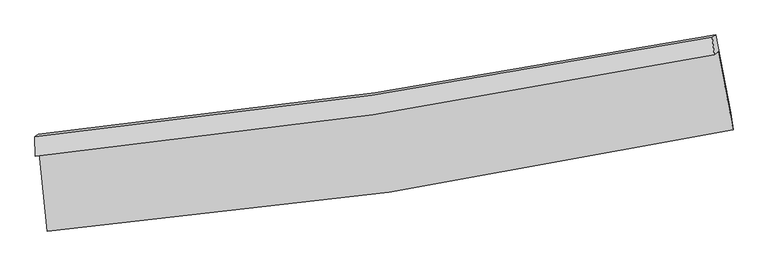
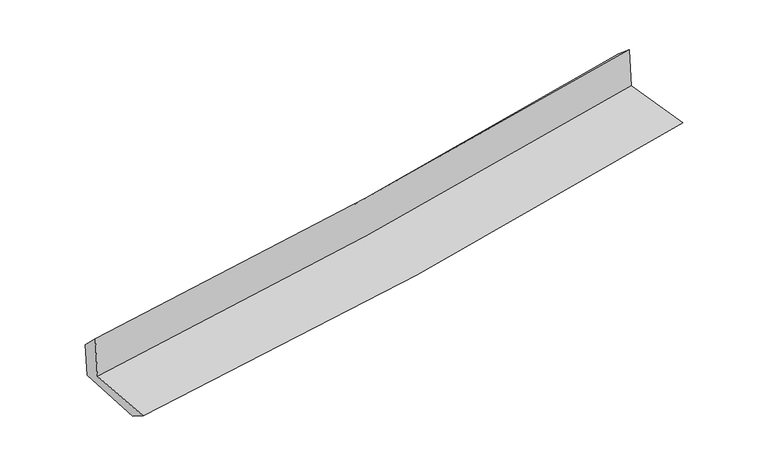
"""IFC4 building model written with IfcOpenShell, lengths in millimetres: proxy geometry."""

from ifc_helpers import new_model, si_unit, frame, origin, place, context, project, spatial, source, transform, mapped, element, save
from ifc_brep_helpers import plane_surface, spline_curve, spline_surface, advanced_brep


def generic_models_530d5dc9(model_context):
    return source(origin(), model_context, "Body", "AdvancedBrep", [
        advanced_brep(
        [(-2881.2876836, -1901.8707352, 1648.7446768), (-2812.8610356, -2558.2105249, 1615.5823448), (2972.0088702, -1705.4415003, 2107.9744158), (2844.8283904, -1045.6748286, 2136.5744352), (-2915.2592998, -1926.5793627, 2067.6745504), (2812.6610586, -1069.0711432, 2533.2543044), (-2917.5221258, -1760.8633528, 1903.43688), (2796.6650114, -924.3116753, 2410.4035848), (-2890.0169295, -1740.8579563, 1564.249355), (2825.0063934, -903.6980946, 2060.904418), (-2819.8241585, -2399.5135669, 1513.4410838), (2952.9847071, -1559.1565638, 2014.8353339)],
        [
            (0, 1),
            (1, 2, spline_curve(3, [(-2812.8610356, -2558.2105249, 1615.5823448), (-1848.886465804, -2479.689016997, 1703.893303479), (-888.976725952, -2370.251976498, 1788.755392624), (1039.456899632, -2087.088233739, 1953.007971199), (2007.83712832, -1912.268932785, 2032.276572084), (2972.0088702, -1705.4415003, 2107.9744158)], [4, 2, 4], [0.0, 9.500378330482356, 19.167177477685584])),
            (2, 3),
            (3, 0, spline_curve(3, [(2844.8283904, -1045.6748286, 2136.5744352), (1889.173438196, -1239.847793948, 2062.313594689), (929.996174627, -1408.685352102, 1984.14408049), (-978.829417536, -1693.219162791, 1821.400738248), (-1928.357511988, -1809.78024006, 1736.960333067), (-2881.2876836, -1901.8707352, 1648.7446768)], [4, 2, 4], [0.0, 9.666799147203228, 19.167177477685584])),
            (4, 0),
            (3, 5),
            (5, 4, spline_curve(3, [(2812.6610586, -1069.0711432, 2533.2543044), (1856.674910509, -1263.484997937, 2463.077692478), (897.180507404, -1432.553221575, 2388.819066511), (-1012.246033123, -1717.524120658, 2233.486475484), (-1962.05841639, -1834.291970172, 2152.551850282), (-2915.2592998, -1926.5793627, 2067.6745504)], [4, 2, 4], [0.0, 9.61810214797393, 19.070621832673687])),
            (6, 4),
            (5, 7),
            (7, 6, spline_curve(3, [(2796.6650114, -924.3116753, 2410.4035848), (1842.814545562, -1109.01410298, 2323.587898136), (885.543106408, -1271.491937079, 2237.572906249), (-1019.302714059, -1549.58385872, 2068.611336631), (-1966.760321027, -1665.956583928, 1985.637426917), (-2917.5221258, -1760.8633528, 1903.43688)], [4, 2, 4], [0.0, 9.606778870192473, 19.048170215384307])),
            (8, 6),
            (7, 9),
            (9, 8, spline_curve(3, [(2825.0063934, -903.6980946, 2060.904418), (1871.298964353, -1088.296486976, 1972.324835835), (914.027525437, -1250.774321241, 1886.309843884), (-991.101906603, -1529.072522318, 1720.845698482), (-1938.838242132, -1645.647975328, 1641.309002875), (-2890.0169295, -1740.8579563, 1564.249355)], [4, 2, 4], [0.0, 9.595577174730002, 19.025959669606877])),
            (10, 8),
            (9, 11),
            (11, 10, spline_curve(3, [(2952.9847071, -1559.1565638, 2014.8353339), (1990.889908914, -1756.43629814, 1924.536341706), (1024.561751149, -1925.470824834, 1837.267289002), (-899.852376338, -2204.62567479, 1670.239299587), (-1857.793840816, -2315.710149032, 1590.376935488), (-2819.8241585, -2399.5135669, 1513.4410838)], [4, 2, 4], [0.0, 9.64427829151891, 19.12252347885128])),
            (1, 10),
            (11, 2),
        ],
        [
            spline_surface(3, 3, [[(-2881.2876836, -1901.8707352, 1648.7446768), (-1928.357512123, -1809.780239995, 1736.960333083), (-978.829417574, -1693.219162637, 1821.400738266), (929.996174665, -1408.685352259, 1984.144080472), (1889.173438111, -1239.847794082, 2062.313594762), (2844.8283904, -1045.6748286, 2136.5744352)], [(-2858.478800945, -2120.650665102, 1637.690566116), (-1901.867163343, -2033.083165692, 1725.937989853), (-948.878520345, -1918.896767231, 1810.518956431), (966.483082965, -1634.819646092, 1973.765377335), (1928.728001489, -1463.988173686, 2052.301253861), (2887.221883634, -1265.597052503, 2127.041095407)], [(-2835.669918255, -2339.430594998, 1626.636455484), (-1875.376814528, -2256.386091385, 1714.915646677), (-918.927623116, -2144.574371855, 1799.637174595), (1002.969991266, -1860.953939956, 1963.386674197), (1968.282564964, -1688.128553282, 2042.288912939), (2929.615376966, -1485.519276397, 2117.507755593)], [(-2812.8610356, -2558.2105249, 1615.5823448), (-1848.886465747, -2479.689017082, 1703.893303447), (-888.976725887, -2370.251976448, 1788.755392761), (1039.456899566, -2087.08823379, 1953.007971061), (2007.837128342, -1912.268932887, 2032.276572038), (2972.0088702, -1705.4415003, 2107.9744158)]], [4, 4], [4, 2, 4], [0.0, 2.2499414520139913], [0.0, 9.500378330482356, 19.167177477685584]),
            spline_surface(3, 3, [[(-2915.2592998, -1926.5793627, 2067.6745504), (-1962.058416278, -1834.291970089, 2152.551850265), (-1012.246033126, -1717.524120627, 2233.486475457), (897.180507408, -1432.553221607, 2388.819066539), (1856.674910429, -1263.484997889, 2463.077692632), (2812.6610586, -1069.0711432, 2533.2543044)], [(-2903.935427731, -1918.343153524, 1928.031259228), (-1950.824781558, -1826.121393381, 2014.021344565), (-1001.107161289, -1709.422467952, 2096.124563042), (908.119063147, -1424.597265146, 2253.927404499), (1867.507753014, -1255.605929937, 2329.489660009), (2823.383502558, -1061.272371651, 2401.027681334)], [(-2892.611555669, -1910.106944376, 1788.387967972), (-1939.591146844, -1817.950816702, 1875.490838782), (-989.968289412, -1701.320815312, 1958.76265068), (919.057618926, -1416.64130872, 2119.035742512), (1878.340595526, -1247.726862033, 2195.901627385), (2834.105946442, -1053.473600149, 2268.801058266)], [(-2881.2876836, -1901.8707352, 1648.7446768), (-1928.357512123, -1809.780239995, 1736.960333083), (-978.829417574, -1693.219162637, 1821.400738266), (929.996174665, -1408.685352259, 1984.144080472), (1889.173438111, -1239.847794082, 2062.313594762), (2844.8283904, -1045.6748286, 2136.5744352)]], [4, 4], [4, 2, 4], [0.0, 1.3463371090312988], [0.0, 9.452519684699757, 19.070621832673687]),
            spline_surface(3, 3, [[(-2917.5221258, -1760.8633528, 1903.43688), (-1966.760321105, -1665.956583903, 1985.637426788), (-1019.302714214, -1549.58385878, 2068.611336507), (885.543106567, -1271.491937019, 2237.572906375), (1842.814545407, -1109.014102972, 2323.587898231), (2796.6650114, -924.3116753, 2410.4035848)], [(-2916.76785046, -1816.102022767, 1958.182770116), (-1965.193019489, -1722.068379299, 2041.27556793), (-1016.950487192, -1605.563946066, 2123.56971617), (889.422240173, -1325.179031885, 2287.988293109), (1847.434667067, -1160.504401283, 2370.084496359), (2801.997027119, -972.564831272, 2451.35382466)], [(-2916.01357514, -1871.340692733, 2012.928660284), (-1963.625717893, -1778.180174693, 2096.913709123), (-1014.598260149, -1661.544033341, 2178.528095794), (893.301373801, -1378.866126741, 2338.403679805), (1852.054788769, -1211.994699577, 2416.581094505), (2807.329042881, -1020.817987228, 2492.30406454)], [(-2915.2592998, -1926.5793627, 2067.6745504), (-1962.058416278, -1834.291970089, 2152.551850265), (-1012.246033126, -1717.524120627, 2233.486475457), (897.180507408, -1432.553221607, 2388.819066539), (1856.674910429, -1263.484997889, 2463.077692632), (2812.6610586, -1069.0711432, 2533.2543044)]], [4, 4], [4, 2, 4], [0.0, 0.7486799955146404], [0.0, 9.441391345191834, 19.048170215384307]),
            spline_surface(3, 3, [[(-2890.0169295, -1740.8579563, 1564.249355), (-1938.838242034, -1645.64797542, 1641.309002821), (-991.101906529, -1529.072522311, 1720.845698551), (914.027525362, -1250.774321248, 1886.309843814), (1871.298964202, -1088.296487101, 1972.32483577), (2825.0063934, -903.6980946, 2060.904418)], [(-2899.185328278, -1747.526421793, 1677.311863326), (-1948.145601735, -1652.417511574, 1756.085144136), (-1000.502175745, -1535.909634485, 1836.767577851), (904.532719109, -1257.680193189, 2003.397531316), (1861.80415795, -1095.202359041, 2089.412523272), (2815.559266079, -910.56928815, 2177.404140282)], [(-2908.353727022, -1754.194887307, 1790.374371674), (-1957.452961404, -1659.187047749, 1870.861285473), (-1009.902444999, -1542.746746607, 1952.689457207), (895.037912819, -1264.586065078, 2120.485218873), (1852.309351659, -1102.108231031, 2206.500210729), (2806.112138721, -917.44048175, 2293.903862518)], [(-2917.5221258, -1760.8633528, 1903.43688), (-1966.760321105, -1665.956583903, 1985.637426788), (-1019.302714214, -1549.58385878, 2068.611336507), (885.543106567, -1271.491937019, 2237.572906375), (1842.814545407, -1109.014102972, 2323.587898231), (2796.6650114, -924.3116753, 2410.4035848)]], [4, 4], [4, 2, 4], [0.0, 1.1525497909134124], [0.0, 9.430382494876875, 19.025959669606877]),
            spline_surface(3, 3, [[(-2819.8241585, -2399.5135669, 1513.4410838), (-1857.793840732, -2315.71014899, 1590.376935375), (-899.852376466, -2204.625674668, 1670.239299509), (1024.561751279, -1925.470824959, 1837.267289081), (1990.889908912, -1756.436298222, 1924.536341676), (2952.9847071, -1559.1565638, 2014.8353339)], [(-2843.221748817, -2179.961696713, 1530.377174209), (-1884.80864115, -2092.356091146, 1607.3542912), (-930.26888649, -1979.441290555, 1687.108099201), (987.717009304, -1700.571990394, 1853.614807336), (1951.026260685, -1533.723027859, 1940.465839721), (2910.325269209, -1340.670407411, 2030.19169528)], [(-2866.619339183, -1960.409826487, 1547.313264591), (-1911.823441616, -1869.002033264, 1624.331646997), (-960.685396505, -1754.256906424, 1703.976898859), (950.872267337, -1475.673155813, 1869.962325559), (1911.162612429, -1311.009757464, 1956.395337725), (2867.665831291, -1122.18425099, 2045.54805662)], [(-2890.0169295, -1740.8579563, 1564.249355), (-1938.838242034, -1645.64797542, 1641.309002821), (-991.101906529, -1529.072522311, 1720.845698551), (914.027525362, -1250.774321248, 1886.309843814), (1871.298964202, -1088.296487101, 1972.32483577), (2825.0063934, -903.6980946, 2060.904418)]], [4, 4], [4, 2, 4], [0.0, 2.24558026334345], [0.0, 9.478245187332371, 19.12252347885128]),
            spline_surface(3, 3, [[(-2812.8610356, -2558.2105249, 1615.5823448), (-1848.886465747, -2479.689017082, 1703.893303447), (-888.976725887, -2370.251976448, 1788.755392761), (1039.456899566, -2087.08823379, 1953.007971061), (2007.837128342, -1912.268932887, 2032.276572038), (2972.0088702, -1705.4415003, 2107.9744158)], [(-2815.182076569, -2505.311538901, 1581.535257806), (-1851.855590744, -2425.029394386, 1666.054514096), (-892.601942735, -2315.043209184, 1749.250028356), (1034.491850149, -2033.215764175, 1914.427743746), (2002.188055199, -1860.324721345, 1996.363161887), (2965.6674825, -1656.679854813, 2076.928055136)], [(-2817.503117531, -2452.412552899, 1547.488170794), (-1854.824715735, -2370.369771686, 1628.215724727), (-896.227159618, -2259.834441932, 1709.744663914), (1029.526800697, -1979.343294573, 1875.847516396), (1996.538982055, -1808.380509764, 1960.449751827), (2959.3260948, -1607.918209287, 2045.881694564)], [(-2819.8241585, -2399.5135669, 1513.4410838), (-1857.793840732, -2315.71014899, 1590.376935375), (-899.852376466, -2204.625674668, 1670.239299509), (1024.561751279, -1925.470824959, 1837.267289081), (1990.889908912, -1756.436298222, 1924.536341676), (2952.9847071, -1559.1565638, 2014.8353339)]], [4, 4], [4, 2, 4], [0.0, 0.6614001848423923], [0.0, 9.537264689884852, 19.24159634529056]),
            plane_surface(frame((2867.3590718, -1201.2256343, 2210.6577487), z_axis=(0.9786353057486555, 0.18473504029765872, 0.09025465765520503), x_axis=(-0.08068679682659825, -0.05868605123306979, 0.9950103457796471))),
            plane_surface(frame((-2872.7952054, -2047.9825831, 1718.8548151), z_axis=(-0.9913447969215933, -0.09899577785364459, -0.08622835718971444), x_axis=(-0.10356222494065652, 0.9933558191090681, 0.05019045932737837))),
        ],
        [
            (0, [[1, 2, 3, 4]]),
            (1, [[5, -4, 6, 7]]),
            (2, [[8, -7, 9, 10]]),
            (3, [[11, -10, 12, 13]]),
            (4, [[14, -13, 15, 16]]),
            (5, [[17, -16, 18, -2]]),
            (6, [[-12, -9, -6, -3, -18, -15]]),
            (7, [[-1, -5, -8, -11, -14, -17]]),
        ],
    ),
    ])


if __name__ == "__main__":
    model = new_model("IFC4")
    model_context = context("Model", 3, world=origin())
    ifc_project = project(units=[si_unit("LENGTHUNIT", "METRE", prefix="MILLI")], contexts=[model_context])
    site = spatial("IfcSite", under=ifc_project)
    building = spatial("IfcBuilding", under=site)
    placement = place(None, origin())
    generic_models_shape = generic_models_530d5dc9(model_context)
    element("IfcBuildingElementProxy", 1, Name="Generic Models", at=placement, inside=building, context=model_context, shape_type="MappedRepresentation", body=[
        mapped(generic_models_shape, transform((0.0, 0.0, 0.0), x_axis=(1.0, 0.0, 0.0), y_axis=(0.0, 1.0, 0.0), z_axis=(0.0, 0.0, 1.0))),
    ])
    save(model, "model.ifc")
